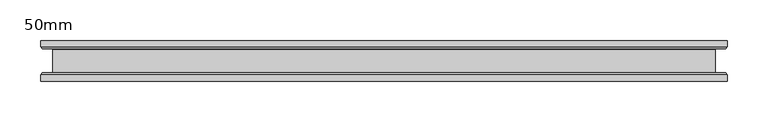
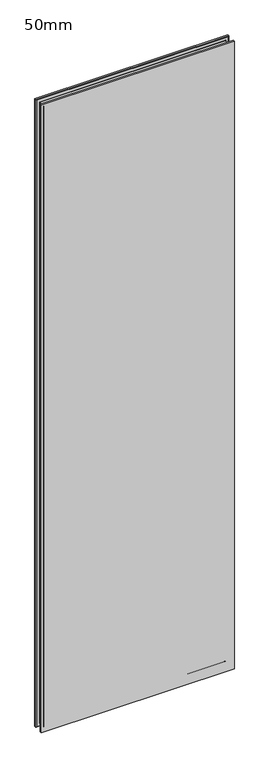
"""IFC4 building model written with IfcOpenShell, lengths in millimetres: plate geometry, 50mm."""

from ifc_helpers import new_model, si_unit, frame, origin, place, context, project, spatial, polyline, ellipse_curve, source, transform, mapped, element, save
from ifc_brep_helpers import plane_surface, revolved_surface, advanced_brep


def plate_50mm_a7b061e8(model_context):
    return source(origin(), model_context, "Body", "AdvancedBrep", [
        advanced_brep(
        [(423.8939008, -25.0, 2900.0), (423.8939008, -17.0, 2900.0), (-423.8939008, -17.0, 2900.0), (-423.8939008, -25.0, 2900.0), (-423.8939008, 25.0, 2900.0), (-423.8939008, 17.0, 2900.0), (423.8939008, 17.0, 2900.0), (423.8939008, 25.0, 2900.0), (423.8939008, 25.0, -13.5), (423.8939008, 17.0, -13.5), (-423.8939008, 17.0, -13.5), (-423.8939008, 25.0, -13.5), (-423.8939008, -25.0, -13.5), (-423.8939008, -17.0, -13.5), (423.8939008, -17.0, -13.5), (423.8939008, -25.0, -13.5), (-421.8939008, 15.0, -11.5), (421.8939008, 15.0, -11.5), (-408.8939008, 14.4, 1.5), (-409.4939008, 15.0, 0.9), (409.4939008, 15.0, 0.9), (408.8939008, 14.4, 1.5), (408.8939008, -14.4, 1.5), (-408.8939008, -14.4, 1.5), (409.4939008, -15.0, 0.9), (-409.4939008, -15.0, 0.9), (-421.8939008, -15.0, -11.5), (421.8939008, -15.0, -11.5), (421.8939008, 15.0, 2898.0), (409.4939008, 15.0, 2885.6), (408.8939008, 14.4, 2885.0), (408.8939008, -14.4, 2885.0), (409.4939008, -15.0, 2885.6), (421.8939008, -15.0, 2898.0), (-421.8939008, 15.0, 2898.0), (-409.4939008, 15.0, 2885.6), (-408.8939008, 14.4, 2885.0), (-408.8939008, -14.4, 2885.0), (-409.4939008, -15.0, 2885.6), (-421.8939008, -15.0, 2898.0)],
        [
            (0, 1),
            (1, 2),
            (2, 3),
            (3, 0),
            (4, 5),
            (5, 6),
            (6, 7),
            (7, 4),
            (8, 9),
            (9, 10),
            (10, 11),
            (11, 8),
            (12, 13),
            (13, 14),
            (14, 15),
            (15, 12),
            (3, 12),
            (15, 0),
            (2, 13),
            (10, 5),
            (4, 11),
            (7, 8),
            (6, 9),
            (14, 1),
            (16, 10),
            (9, 17),
            (17, 16),
            (18, 19, ellipse_curve(frame((-409.4939008, 14.4, 0.9), z_axis=(-0.7071067811865475, 0.0, 0.7071067811865475), x_axis=(-0.7071067811865476, 0.0, -0.7071067811865474)), 0.8485281, 0.6)),
            (19, 20),
            (20, 21, ellipse_curve(frame((409.4939008, 14.4, 0.9), z_axis=(0.7071067811865475, 0.0, 0.7071067811865475), x_axis=(-0.7071067811865476, 0.0, 0.7071067811865474)), 0.8485281, 0.6)),
            (21, 18),
            (21, 22),
            (22, 23),
            (23, 18),
            (22, 24, ellipse_curve(frame((409.4939008, -14.4, 0.9), z_axis=(0.7071067811865475, 0.0, 0.7071067811865475), x_axis=(-0.7071067811865476, 0.0, 0.7071067811865474)), 0.8485281, 0.6)),
            (24, 25),
            (25, 23, ellipse_curve(frame((-409.4939008, -14.4, 0.9), z_axis=(-0.7071067811865475, 0.0, 0.7071067811865475), x_axis=(-0.7071067811865476, 0.0, -0.7071067811865474)), 0.8485281, 0.6)),
            (13, 26),
            (26, 27),
            (27, 14),
            (6, 28),
            (28, 17),
            (20, 29),
            (29, 30, ellipse_curve(frame((409.4939008, 14.4, 2885.6), z_axis=(-0.7071067811865475, 0.0, 0.7071067811865475), x_axis=(-0.7071067811865474, 0.0, -0.7071067811865476)), 0.8485281, 0.6)),
            (30, 21),
            (30, 31),
            (31, 22),
            (31, 32, ellipse_curve(frame((409.4939008, -14.4, 2885.6), z_axis=(-0.7071067811865475, 0.0, 0.7071067811865475), x_axis=(-0.7071067811865474, 0.0, -0.7071067811865476)), 0.8485281, 0.6)),
            (32, 24),
            (27, 33),
            (33, 1),
            (5, 34),
            (34, 28),
            (29, 35),
            (35, 36, ellipse_curve(frame((-409.4939008, 14.4, 2885.6), z_axis=(-0.7071067811865475, 0.0, -0.7071067811865475), x_axis=(0.7071067811865476, 0.0, -0.7071067811865474)), 0.8485281, 0.6)),
            (36, 30),
            (36, 37),
            (37, 31),
            (37, 38, ellipse_curve(frame((-409.4939008, -14.4, 2885.6), z_axis=(-0.7071067811865475, 0.0, -0.7071067811865475), x_axis=(0.7071067811865476, 0.0, -0.7071067811865474)), 0.8485281, 0.6)),
            (38, 32),
            (33, 39),
            (39, 2),
            (16, 34),
            (19, 35),
            (18, 36),
            (23, 37),
            (25, 38),
            (26, 39),
        ],
        [
            plane_surface(frame((-423.8939008, -25.0, 2900.0), z_axis=(0.0, 0.0, 1.0), x_axis=(-1.0, 0.0, 0.0))),
            plane_surface(frame((-423.8939008, -25.0, -13.5), z_axis=(0.0, 0.0, -1.0), x_axis=(1.0, 0.0, 0.0))),
            plane_surface(frame((423.8939008, -25.0, 2900.0), z_axis=(0.0, -1.0, 0.0), x_axis=(0.0, 0.0, -1.0))),
            plane_surface(frame((-423.8939008, -25.0, 2900.0), z_axis=(-1.0, 0.0, 0.0), x_axis=(0.0, 0.0, -1.0))),
            plane_surface(frame((-423.8939008, 25.0, 2900.0), z_axis=(0.0, 1.0, 0.0), x_axis=(0.0, 0.0, -1.0))),
            plane_surface(frame((423.8939008, 25.0, 2900.0), z_axis=(1.0, 0.0, 0.0), x_axis=(0.0, 0.0, -1.0))),
            plane_surface(frame((-423.8939008, 17.0, -13.5), z_axis=(0.0, -0.7071067811866751, -0.7071067811864199), x_axis=(1.0, 0.0, 0.0))),
            revolved_surface(polyline([(-410.09390077353737, 14.400000000002729, 1.5), (410.09390077353737, 14.400000000002729, 1.5)]), (-410.3939008, 14.4, 0.9), (-1.0, 0.0, 0.0)),
            plane_surface(frame((-408.8939008, 14.4, 1.5), z_axis=(0.0, 0.0, -1.0), x_axis=(1.0, 0.0, 0.0))),
            revolved_surface(polyline([(-410.09390077353737, -15.0, 0.9), (410.09390077353737, -15.0, 0.9)]), (-410.3939008, -14.4, 0.9), (-1.0, 0.0, 0.0)),
            plane_surface(frame((-421.8939008, -15.0, -11.5), z_axis=(0.0, 0.7071067811660012, -0.7071067812070939), x_axis=(1.0, 0.0, 0.0))),
            plane_surface(frame((423.8939008, 17.0, -13.5), z_axis=(0.7071067811864199, -0.7071067811866751, 0.0), x_axis=(0.0, 0.0, 1.0))),
            revolved_surface(polyline([(408.8939008, 14.400000000002729, 0.3000000264626632), (408.8939008, 14.400000000002729, 2886.199999973537)]), (409.4939008, 14.4, 0.0), (0.0, 0.0, -1.0)),
            plane_surface(frame((408.8939008, 14.4, 1.5), z_axis=(1.0, 0.0, 0.0), x_axis=(0.0, 0.0, 1.0))),
            revolved_surface(polyline([(409.4939008, -15.0, 0.3000000264626632), (409.4939008, -15.0, 2886.199999973537)]), (409.4939008, -14.4, 0.0), (0.0, 0.0, -1.0)),
            plane_surface(frame((421.8939008, -15.0, -11.5), z_axis=(0.7071067812070939, 0.7071067811660012, 0.0), x_axis=(0.0, 0.0, 1.0))),
            plane_surface(frame((423.8939008, 17.0, 2900.0), z_axis=(0.0, -0.7071067811866751, 0.7071067811864199), x_axis=(-1.0, 0.0, 0.0))),
            revolved_surface(polyline([(410.09390077353737, 14.400000000002729, 2885.0), (-410.09390077353737, 14.400000000002729, 2885.0)]), (410.3939008, 14.4, 2885.6), (1.0, 0.0, 0.0)),
            plane_surface(frame((408.8939008, 14.4, 2885.0), z_axis=(0.0, 0.0, 1.0), x_axis=(-1.0, 0.0, 0.0))),
            revolved_surface(polyline([(410.09390077353737, -15.0, 2885.6), (-410.09390077353737, -15.0, 2885.6)]), (410.3939008, -14.4, 2885.6), (1.0, 0.0, 0.0)),
            plane_surface(frame((421.8939008, -15.0, 2898.0), z_axis=(0.0, 0.7071067811660012, 0.7071067812070939), x_axis=(-1.0, 0.0, 0.0))),
            plane_surface(frame((-423.8939008, 17.0, 2900.0), z_axis=(-0.7071067811864199, -0.7071067811866751, 0.0), x_axis=(0.0, 0.0, -1.0))),
            plane_surface(frame((-421.8939008, 15.0, 2898.0), z_axis=(0.0, -1.0, 0.0), x_axis=(0.0, 0.0, -1.0))),
            revolved_surface(polyline([(-408.8939008, 14.400000000002729, 2886.199999973537), (-408.8939008, 14.400000000002729, 0.30000002646283974)]), (-409.4939008, 14.4, 2886.5), (0.0, 0.0, 1.0)),
            plane_surface(frame((-408.8939008, 14.4, 2885.0), z_axis=(-1.0, 0.0, 0.0), x_axis=(0.0, 0.0, -1.0))),
            revolved_surface(polyline([(-409.4939008, -15.0, 2886.199999973537), (-409.4939008, -15.0, 0.30000002646283974)]), (-409.4939008, -14.4, 2886.5), (0.0, 0.0, 1.0)),
            plane_surface(frame((-409.4939008, -15.0, 2885.6), z_axis=(0.0, 1.0, 0.0), x_axis=(0.0, 0.0, -1.0))),
            plane_surface(frame((-421.8939008, -15.0, 2898.0), z_axis=(-0.7071067812070939, 0.7071067811660012, 0.0), x_axis=(0.0, 0.0, -1.0))),
        ],
        [
            (0, [[1, 2, 3, 4]]),
            (0, [[5, 6, 7, 8]]),
            (1, [[9, 10, 11, 12]]),
            (1, [[13, 14, 15, 16]]),
            (2, [[17, -16, 18, -4]]),
            (3, [[-3, 19, -13, -17]]),
            (3, [[-11, 20, -5, 21]]),
            (4, [[22, -12, -21, -8]]),
            (5, [[-7, 23, -9, -22]]),
            (5, [[-15, 24, -1, -18]]),
            (6, [[25, -10, 26, 27]]),
            (7, [[28, 29, 30, 31]]),
            (8, [[32, 33, 34, -31]]),
            (9, [[35, 36, 37, -33]]),
            (10, [[-14, 38, 39, 40]]),
            (11, [[-23, 41, 42, -26]]),
            (12, [[43, 44, 45, -30]]),
            (13, [[-45, 46, 47, -32]]),
            (14, [[-47, 48, 49, -35]]),
            (15, [[50, 51, -24, -40]]),
            (16, [[-6, 52, 53, -41]]),
            (17, [[54, 55, 56, -44]]),
            (18, [[-56, 57, 58, -46]]),
            (19, [[-58, 59, 60, -48]]),
            (20, [[61, 62, -2, -51]]),
            (21, [[63, -52, -20, -25]]),
            (22, [[-42, -53, -63, -27], [64, -54, -43, -29]]),
            (23, [[65, -55, -64, -28]]),
            (24, [[66, -57, -65, -34]]),
            (25, [[67, -59, -66, -37]]),
            (26, [[68, -61, -50, -39], [-49, -60, -67, -36]]),
            (27, [[-19, -62, -68, -38]]),
        ],
    ),
    ])


if __name__ == "__main__":
    model = new_model("IFC4")
    model_context = context("Model", 3, world=origin())
    ifc_project = project(units=[si_unit("LENGTHUNIT", "METRE", prefix="MILLI")], contexts=[model_context])
    site = spatial("IfcSite", under=ifc_project)
    building = spatial("IfcBuilding", under=site)
    placement = place(None, origin())
    plate_50mm_shape = plate_50mm_a7b061e8(model_context)
    element("IfcPlate", 1, ObjectType="50mm", at=placement, inside=building, context=model_context, shape_type="MappedRepresentation", body=[
        mapped(plate_50mm_shape, transform((0.0, 0.0, 0.0), x_axis=(1.0, 0.0, 0.0), y_axis=(0.0, 1.0, 0.0), z_axis=(0.0, 0.0, 1.0))),
    ])
    save(model, "model.ifc")
